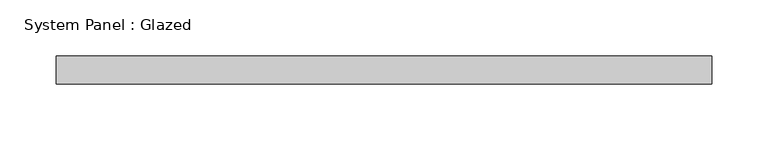
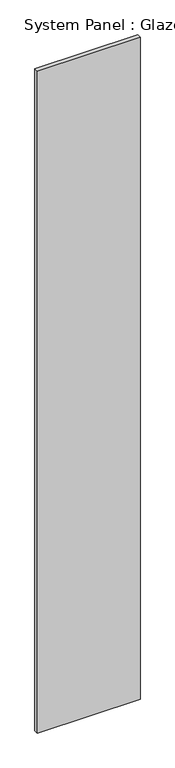
"""IFC4 building model written with IfcOpenShell, lengths in millimetres: plate geometry, System Panel : Glazed."""

import ifcopenshell
import ifcopenshell.guid

model = None  # the IFC model being written
_history = None  # IfcOwnerHistory: only IFC2X3 demands one
_inside = {}  # id of a spatial element -> (the spatial element, [elements in it])
_under = {}  # id of a project, library or spatial element -> (it, [spatial elements below it])
_declared = {}  # id of a project -> (the project, [libraries it declares])
_typed = {}  # id of a type object -> (the type object, [elements of that type])
_made_of = {}  # id of a material, layer set ... -> (it, [elements and type objects made of it])


def new_model(schema):
    """Start an empty IFC model of exactly this schema.

    Asked for "IFC4X3", IfcOpenShell would pick the latest addendum, in which some entities
    have other attributes; the version numbers below select the first issue.
    IFC2X3 requires an IfcOwnerHistory on every rooted entity: one is made here for all.
    """
    global model, _history
    if schema == "IFC4X3":
        model = ifcopenshell.file(schema_version=(4, 3, 0, 0))
    else:
        model = ifcopenshell.file(schema=schema)
    _inside.clear()
    _under.clear()
    _declared.clear()
    _typed.clear()
    _made_of.clear()
    _history = None
    if model.schema == "IFC2X3":
        org = make("IfcOrganization", Name="unknown")
        user = make(
            "IfcPersonAndOrganization",
            ThePerson=make("IfcPerson", FamilyName="unknown"),
            TheOrganization=org,
        )
        app = make(
            "IfcApplication",
            ApplicationDeveloper=org,
            Version="unknown",
            ApplicationFullName="unknown",
            ApplicationIdentifier="unknown",
        )
        _history = make(
            "IfcOwnerHistory",
            OwningUser=user,
            OwningApplication=app,
            ChangeAction="ADDED",
            CreationDate=0,
        )
    return model


def make(cls, **values):
    """One entity of the class cls with the attributes given. An attribute that is None is left unset."""
    return model.create_entity(
        cls, **{name: value for name, value in values.items() if value is not None}
    )


def rooted(cls, **values):
    """An entity with a GlobalId (a new one), such as an element, a storey or a relation."""
    return make(cls, GlobalId=ifcopenshell.guid.new(), OwnerHistory=_history, **values)


def si_unit(unit_type, name, prefix=None):
    """IfcSIUnit, for example si_unit("LENGTHUNIT", "METRE", prefix="MILLI")."""
    return make("IfcSIUnit", UnitType=unit_type, Prefix=prefix, Name=name)


def assignment(units):
    """IfcUnitAssignment: the units of a project."""
    return None if units is None else make("IfcUnitAssignment", Units=units)


def point(xyz):
    """IfcCartesianPoint."""
    return None if xyz is None else make("IfcCartesianPoint", Coordinates=xyz)


def direction(xyz):
    """IfcDirection."""
    return None if xyz is None else make("IfcDirection", DirectionRatios=xyz)


def frame(location, z_axis=None, x_axis=None):
    """IfcAxis2Placement3D, a coordinate frame: its origin and axes. An axis left out is left unset."""
    return make(
        "IfcAxis2Placement3D",
        Location=point(location),
        Axis=direction(z_axis),
        RefDirection=direction(x_axis),
    )


def origin():
    """The frame at (0, 0, 0) with its axes left unset."""
    return frame((0.0, 0.0, 0.0))


def origin_with_axes():
    """The frame at (0, 0, 0) with the z axis (0, 0, 1) and the x axis (1, 0, 0) written out."""
    return frame((0.0, 0.0, 0.0), z_axis=(0.0, 0.0, 1.0), x_axis=(1.0, 0.0, 0.0))


def place(relative_to, where):
    """IfcLocalPlacement: puts the frame where relative to a parent placement (None: the world)."""
    return make(
        "IfcLocalPlacement", PlacementRelTo=relative_to, RelativePlacement=where
    )


def context(
    kind, dimensions, precision=None, world=None, true_north=None, identifier=None
):
    """IfcGeometricRepresentationContext, for example the 3D "Model" context."""
    return make(
        "IfcGeometricRepresentationContext",
        ContextIdentifier=identifier,
        ContextType=kind,
        CoordinateSpaceDimension=dimensions,
        Precision=precision,
        WorldCoordinateSystem=world,
        TrueNorth=true_north,
    )


def project(units=None, contexts=None):
    """IfcProject with its units and contexts."""
    return rooted(
        "IfcProject",
        Name="project",
        RepresentationContexts=contexts,
        UnitsInContext=assignment(units),
    )


def spatial(cls, under=None, at=None, **own):
    """A site, building, storey or space (cls), placed at a placement, below another one or the project."""
    s = rooted(cls, ObjectPlacement=at, **own)
    if under is not None:
        _under.setdefault(under.id(), (under, []))[1].append(s)
    return s


def polyline(points):
    """IfcPolyline through the points."""
    return make("IfcPolyline", Points=[point(p) for p in points])


def outline(outer, holes=None, kind="AREA"):
    """IfcArbitraryClosedProfileDef: a profile drawn as a closed curve; with holes, ...WithVoids."""
    if holes is None:
        return make("IfcArbitraryClosedProfileDef", ProfileType=kind, OuterCurve=outer)
    return make(
        "IfcArbitraryProfileDefWithVoids",
        ProfileType=kind,
        OuterCurve=outer,
        InnerCurves=holes,
    )


def extrude(swept, where, along, depth):
    """IfcExtrudedAreaSolid: the profile swept, set in the frame where, extruded along a direction by depth."""
    return make(
        "IfcExtrudedAreaSolid",
        SweptArea=swept,
        Position=where,
        ExtrudedDirection=direction(along),
        Depth=depth,
    )


def shape(context_of_items, identifier, shape_type, items):
    """IfcShapeRepresentation: the items that make up one representation, for example the "Body"."""
    return make(
        "IfcShapeRepresentation",
        ContextOfItems=context_of_items,
        RepresentationIdentifier=identifier,
        RepresentationType=shape_type,
        Items=items,
    )


def source(mapping_origin, context_of_items, identifier, shape_type, items):
    """IfcRepresentationMap: a shape defined once, which mapped items show again and again."""
    return make(
        "IfcRepresentationMap",
        MappingOrigin=mapping_origin,
        MappedRepresentation=shape(context_of_items, identifier, shape_type, items),
    )


def transform(
    local_origin,
    x_axis=None,
    y_axis=None,
    z_axis=None,
    scale=None,
    scale2=None,
    scale3=None,
    uniform=True,
):
    """IfcCartesianTransformationOperator3D, or its non-uniform kind. x_axis, y_axis, z_axis: its Axis1, 2, 3."""
    if uniform:
        return make(
            "IfcCartesianTransformationOperator3D",
            Axis1=direction(x_axis),
            Axis2=direction(y_axis),
            LocalOrigin=point(local_origin),
            Scale=scale,
            Axis3=direction(z_axis),
        )
    return make(
        "IfcCartesianTransformationOperator3DnonUniform",
        Axis1=direction(x_axis),
        Axis2=direction(y_axis),
        LocalOrigin=point(local_origin),
        Scale=scale,
        Axis3=direction(z_axis),
        Scale2=scale2,
        Scale3=scale3,
    )


def mapped(mapping_source, mapping_target):
    """IfcMappedItem: shows the shape of a source again, moved by a transform."""
    return make(
        "IfcMappedItem", MappingSource=mapping_source, MappingTarget=mapping_target
    )


def made_of(thing, what):
    """Note that an element or type object is made of a material, layer set ...; save() writes the relation."""
    if what is not None:
        _made_of.setdefault(what.id(), (what, []))[1].append(thing)
    return thing


def element(
    cls,
    number,
    at=None,
    inside=None,
    cuts=None,
    type_object=None,
    material=None,
    context=None,
    identifier="Body",
    shape_type=None,
    held_by="IfcProductDefinitionShape",
    body=None,
    shapes=None,
    **own,
):
    """One element of the class cls, such as IfcWall. Its Tag is "e" and its number.

    at: its placement. inside: the storey or other place that contains it. cuts: it is an
    opening in that element (IfcRelVoidsElement). A single representation is given by context,
    identifier, shape_type and body (its items); several are given by shapes. held_by: the class
    of the entity that holds the representations. save() writes the other relations.
    """
    e = rooted(cls, Tag="e%d" % number, ObjectPlacement=at, **own)
    if body is not None:
        shapes = [shape(context, identifier, shape_type, body)]
    if shapes is not None:
        e.Representation = make(held_by, Representations=shapes)
    if inside is not None:
        _inside.setdefault(inside.id(), (inside, []))[1].append(e)
    if cuts is not None:
        rooted(
            "IfcRelVoidsElement", RelatingBuildingElement=cuts, RelatedOpeningElement=e
        )
    if type_object is not None:
        _typed.setdefault(type_object.id(), (type_object, []))[1].append(e)
    return made_of(e, material)


def aggregate(whole, parts):
    """IfcRelAggregates: a whole, such as a stair, and the parts it consists of."""
    return rooted("IfcRelAggregates", RelatingObject=whole, RelatedObjects=parts)


def save(model, path):
    """Write the relations noted so far, then the file.

    IfcRelAggregates (storeys below a building ...), IfcRelContainedInSpatialStructure (elements
    in a storey), IfcRelDefinesByType, IfcRelAssociatesMaterial and IfcRelDeclares: one each for
    every whole, place, type object, material and project.
    """
    for whole, parts in _under.values():
        aggregate(whole, parts)
    for where, things in _inside.values():
        rooted(
            "IfcRelContainedInSpatialStructure",
            RelatedElements=things,
            RelatingStructure=where,
        )
    for kind, things in _typed.values():
        rooted("IfcRelDefinesByType", RelatedObjects=things, RelatingType=kind)
    for what, things in _made_of.values():
        rooted("IfcRelAssociatesMaterial", RelatedObjects=things, RelatingMaterial=what)
    for by, libraries in _declared.values():
        rooted("IfcRelDeclares", RelatingContext=by, RelatedDefinitions=libraries)
    model.write(path)


def system_panel_glazed_4ca925ef(model_context):
    return source(origin(), model_context, "Body", "SweptSolid", [
        extrude(outline(polyline([(292.2928227, -49.5), (-292.2928227, -49.5), (-292.2928227, -24.5), (292.2928227, -24.5), (292.2928227, -49.5)])), origin_with_axes(), (0.0, 0.0, 1.0), 3985.0),
    ])


if __name__ == "__main__":
    model = new_model("IFC4")
    model_context = context("Model", 3, world=origin())
    ifc_project = project(units=[si_unit("LENGTHUNIT", "METRE", prefix="MILLI")], contexts=[model_context])
    site = spatial("IfcSite", under=ifc_project)
    building = spatial("IfcBuilding", under=site)
    placement = place(None, origin())
    system_panel_glazed_shape = system_panel_glazed_4ca925ef(model_context)
    element("IfcPlate", 1, ObjectType="System Panel : Glazed", at=placement, inside=building, context=model_context, shape_type="MappedRepresentation", body=[
        mapped(system_panel_glazed_shape, transform((0.0, 0.0, 0.0), x_axis=(1.0, 0.0, 0.0), y_axis=(0.0, 1.0, 0.0), z_axis=(0.0, 0.0, 1.0))),
    ])
    save(model, "model.ifc")
